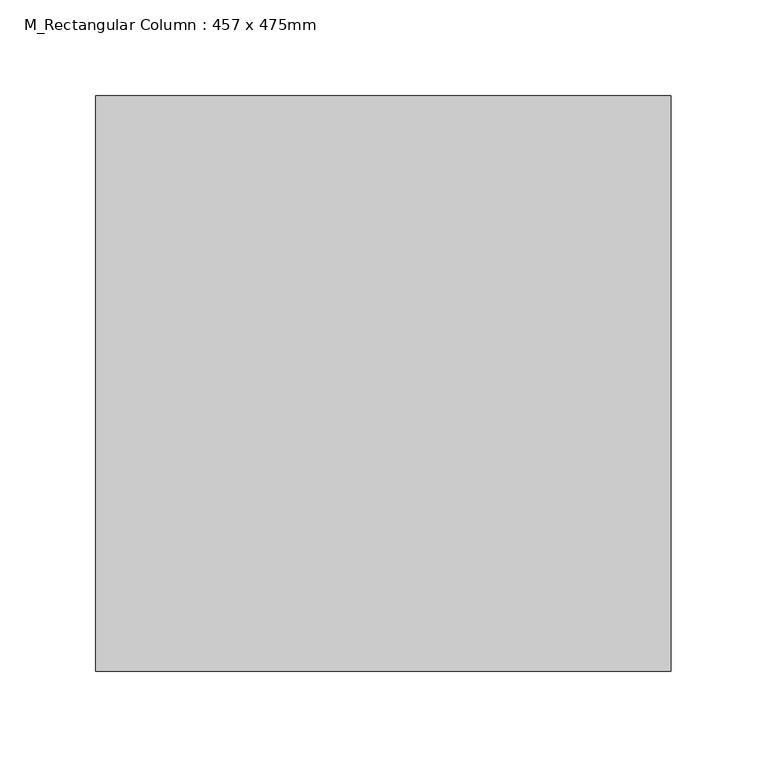
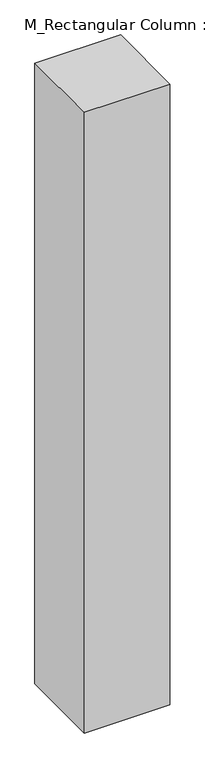
"""IFC4 building model written with IfcOpenShell, lengths in millimetres: column geometry, M_Rectangular Column : 457 x 475mm."""

from ifc_helpers import new_model, si_unit, origin, origin_with_axes, place, context, project, spatial, polyline, outline, extrude, source, transform, mapped, element, save


def m_rectangular_column_457_x_475mm_fdb9ef08(model_context):
    return source(origin(), model_context, "Body", "SweptSolid", [
        extrude(outline(polyline([(150.0, 150.0), (150.0, -150.0), (-150.0, -150.0), (-150.0, 150.0), (150.0, 150.0)])), origin_with_axes(), (0.0, 0.0, 1.0), 2300.0),
    ])


if __name__ == "__main__":
    model = new_model("IFC4")
    model_context = context("Model", 3, world=origin())
    ifc_project = project(units=[si_unit("LENGTHUNIT", "METRE", prefix="MILLI")], contexts=[model_context])
    site = spatial("IfcSite", under=ifc_project)
    building = spatial("IfcBuilding", under=site)
    placement = place(None, origin())
    m_rectangular_column_457_x_475mm_shape = m_rectangular_column_457_x_475mm_fdb9ef08(model_context)
    element("IfcColumn", 1, ObjectType="M_Rectangular Column : 457 x 475mm", at=placement, inside=building, context=model_context, shape_type="MappedRepresentation", body=[
        mapped(m_rectangular_column_457_x_475mm_shape, transform((0.0, 0.0, 0.0), x_axis=(1.0, 0.0, 0.0), y_axis=(0.0, 1.0, 0.0), z_axis=(0.0, 0.0, 1.0))),
    ])
    save(model, "model.ifc")
